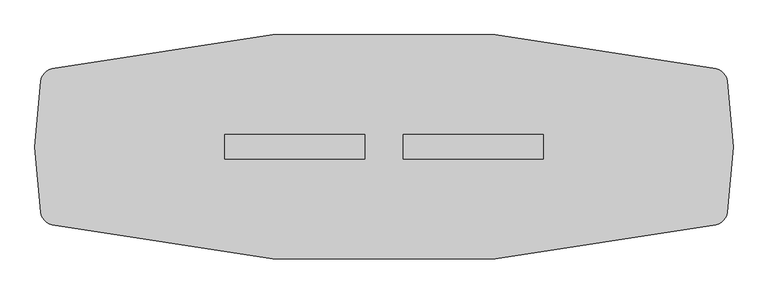
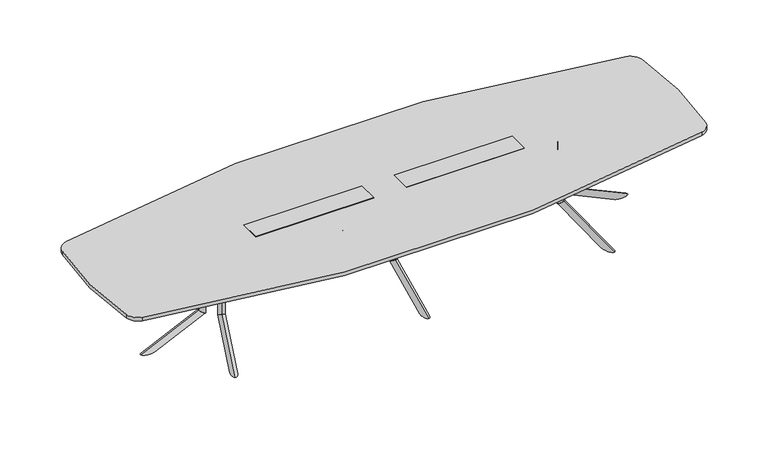
"""IFC4 building model written with IfcOpenShell, lengths in millimetres: furniture geometry."""

from ifc_helpers import new_model, si_unit, point, frame, frame_2d, origin, place, context, project, spatial, polyline, circle_curve, ellipse_curve, trimmed, segment, composite_curve, outline, extrude, faceted_brep, source, transform, mapped, element, save
from ifc_brep_helpers import plane_surface, cylinder_surface, advanced_brep


def furniture_c1365745(model_context):
    return source(origin(), model_context, "Body", "SolidModel", [
        advanced_brep(
        [(1310.4223919, 75.2941685, 686.003912), (1326.4497318, 122.655803, 686.003912), (1326.4497318, 122.655803, 209.8373371), (1310.4223919, 75.2941685, 177.9838308)],
        [
            (0, 1, circle_curve(frame((1318.4360619, 98.9749857, 686.003912), z_axis=(0.0, 0.0, 1.0), x_axis=(0.3205467959798249, 0.9472326808060777, 0.0)), 25.0000002)),
            (1, 0, circle_curve(frame((1318.4360619, 98.9749857, 686.003912), z_axis=(0.0, 0.0, 1.0), x_axis=(0.3205467959798249, 0.9472326808060777, 0.0)), 25.0000002)),
            (1, 2),
            (2, 3, ellipse_curve(frame((1318.4360619, 98.9749857, 193.910584), z_axis=(-0.17222964099785984, -0.5089476688044559, 0.8433914993526187), x_axis=(0.2703464428741051, 0.7988879909008375, 0.5372995243062679)), 29.6422245, 25.0000002)),
            (3, 0),
            (3, 2, ellipse_curve(frame((1318.4360619, 98.9749857, 193.910584), z_axis=(-0.17222964099785984, -0.5089476688044559, 0.8433914993526187), x_axis=(0.2703464428741051, 0.7988879909008375, 0.5372995243062679)), 29.6422245, 25.0000002)),
        ],
        [
            plane_surface(frame((1326.4497318, 122.655803, 686.003912), z_axis=(0.0, 0.0, 1.0000000000000002), x_axis=(0.9472326808060777, -0.3205467959798249, 0.0))),
            cylinder_surface(frame((1318.4360619, 98.9749857, 171.4949981), z_axis=(0.0, 0.0, 1.0), x_axis=(0.3205467959798249, 0.9472326808060777, 0.0)), 25.0000002),
            plane_surface(frame((1392.5881968, 41.2603046, 174.2251154), z_axis=(0.17222964099785987, 0.508947668804456, -0.8433914993526189), x_axis=(-0.9472326808060767, 0.32054679597982794, 0.0))),
        ],
        [
            (0, [[1, 2]]),
            (1, [[3, 4, 5, -2]]),
            (1, [[-5, 6, -3, -1]]),
            (2, [[-6, -4]]),
        ],
    ),
        advanced_brep(
        [(1470.6935324, 548.9087623, 0.0), (1432.7663703, 436.8270746, 0.0), (1310.4203866, 75.2882427, 177.9798453), (1326.4497318, 122.6558029, 209.8373371)],
        [
            (0, 1, ellipse_curve(frame((1451.730699, 492.8676655, 0.0), z_axis=(0.0, 0.0, 1.0), x_axis=(-0.32054679597982483, -0.9472326808060776, 0.0)), 59.162434, 25.003125)),
            (1, 2),
            (2, 3, ellipse_curve(frame((1318.4350592, 98.9720228, 193.9085912), z_axis=(0.17222964099785967, 0.5089476688044554, -0.843391499352619), x_axis=(-0.27034644287410003, -0.7988879909008393, -0.5372995243062673)), 29.6459333, 25.003125)),
            (3, 0),
            (3, 2, ellipse_curve(frame((1318.4350592, 98.9720228, 193.9085912), z_axis=(0.17222964099785967, 0.5089476688044554, -0.843391499352619), x_axis=(-0.27034644287410003, -0.7988879909008393, -0.5372995243062673)), 29.6459333, 25.003125)),
            (1, 0, ellipse_curve(frame((1451.730699, 492.8676655, 0.0), z_axis=(0.0, 0.0, 1.0), x_axis=(-0.32054679597982483, -0.9472326808060776, 0.0)), 59.162434, 25.003125)),
        ],
        [
            cylinder_surface(frame((1467.3078767, 538.8990467, -22.6605205), z_axis=(-0.2905140573061644, -0.858484354750152, 0.42261826174069417), x_axis=(0.13546892972354252, 0.40031782902624236, 0.9063077870366524)), 25.003125),
            plane_surface(frame((1395.7905535, 107.1040594, 214.6127246), z_axis=(-0.1722296409978597, -0.5089476688044555, 0.8433914993526193), x_axis=(-0.9472326808060767, 0.3205467959798279, 0.0))),
            plane_surface(frame((1476.6451428, 406.9632923, 0.0), z_axis=(0.0, 0.0, -1.0000000000000002), x_axis=(-0.9472326808060768, 0.3205467959798276, 0.0))),
        ],
        [
            (0, [[1, 2, 3, 4]]),
            (0, [[5, -2, 6, -4]]),
            (1, [[-5, -3]]),
            (2, [[-6, -1]]),
        ],
    ),
        extrude(outline(polyline([(0.0, 0.0), (-9.475476, 14.6158843), (381.7231629, 69.2843282), (391.4053704, 0.0), (0.0, 0.0)])), frame((1452.6005039, 489.1986462, 670.2172707), z_axis=(-0.9472326808060766, 0.320546795979828, 0.0), x_axis=(-0.3174619360313854, -0.9381167570298226, -0.13840111759322388)), (0.0, 0.0, 1.0), 4.0),
        extrude(outline(polyline([(1246.423204, 120.1483939), (1383.6259996, 525.589888), (1525.7109028, 477.5078683), (1388.5081072, 72.0663742), (1246.423204, 120.1483939)])), frame((0.0, 0.0, 686.003912), z_axis=(0.0, 0.0, 1.0), x_axis=(1.0, 0.0, 0.0)), (0.0, 0.0, 1.0), 3.9999739),
        advanced_brep(
        [(1310.4223919, -75.2941685, 686.003912), (1326.4497318, -122.655803, 686.003912), (1310.4223919, -75.2941685, 177.9838308), (1326.4497318, -122.655803, 209.8373371)],
        [
            (0, 1, circle_curve(frame((1318.4360619, -98.9749857, 686.003912), z_axis=(0.0, 0.0, 1.0), x_axis=(0.3205467959798129, -0.9472326808060817, 0.0)), 25.0000002)),
            (1, 0, circle_curve(frame((1318.4360619, -98.9749857, 686.003912), z_axis=(0.0, 0.0, 1.0), x_axis=(0.3205467959798129, -0.9472326808060817, 0.0)), 25.0000002)),
            (0, 2),
            (2, 3, ellipse_curve(frame((1318.4360619, -98.9749857, 193.910584), z_axis=(-0.17222964099785343, 0.5089476688044581, 0.8433914993526187), x_axis=(0.270346442874095, -0.7988879909008408, 0.5372995243062678)), 29.6422245, 25.0000002)),
            (3, 1),
            (3, 2, ellipse_curve(frame((1318.4360619, -98.9749857, 193.910584), z_axis=(-0.17222964099785343, 0.5089476688044581, 0.8433914993526187), x_axis=(0.270346442874095, -0.7988879909008408, 0.5372995243062678)), 29.6422245, 25.0000002)),
        ],
        [
            plane_surface(frame((1326.4497318, -122.655803, 686.003912), z_axis=(0.0, 0.0, 1.0), x_axis=(0.9472326808060817, 0.3205467959798129, 0.0))),
            cylinder_surface(frame((1318.4360619, -98.9749857, 171.4949981), z_axis=(0.0, 0.0, 1.0), x_axis=(0.3205467959798129, -0.9472326808060817, 0.0)), 25.0000002),
            plane_surface(frame((1392.5881968, -41.2603046, 174.2251154), z_axis=(0.17222964099785343, -0.5089476688044581, -0.8433914993526187), x_axis=(-0.9472326808060807, -0.32054679597981595, 0.0))),
        ],
        [
            (0, [[1, 2]]),
            (1, [[-1, 3, 4, 5]]),
            (1, [[-2, -5, 6, -3]]),
            (2, [[-4, -6]]),
        ],
    ),
        advanced_brep(
        [(1470.6950232, -548.9082435, 6.4e-06), (1326.4497318, -122.6558029, 209.8373371), (1310.4203866, -75.2882427, 177.9798453), (1432.7663703, -436.8270746, 0.0)],
        [
            (0, 1),
            (1, 2, ellipse_curve(frame((1318.4350592, -98.9720228, 193.9085912), z_axis=(0.17222964099785326, -0.5089476688044576, -0.843391499352619), x_axis=(-0.2703464428740898, 0.7988879909008427, -0.5372995243062677)), 29.6459333, 25.003125)),
            (2, 3),
            (3, 0, ellipse_curve(frame((1451.730699, -492.8676655, 0.0), z_axis=(0.0, 0.0, 1.0), x_axis=(-0.32054679597981284, 0.9472326808060817, 0.0)), 59.162434, 25.003125)),
            (0, 3, ellipse_curve(frame((1451.730699, -492.8676655, 0.0), z_axis=(0.0, 0.0, 1.0), x_axis=(-0.32054679597981284, 0.9472326808060817, 0.0)), 59.162434, 25.003125)),
            (2, 1, ellipse_curve(frame((1318.4350592, -98.9720228, 193.9085912), z_axis=(0.17222964099785326, -0.5089476688044576, -0.843391499352619), x_axis=(-0.2703464428740898, 0.7988879909008427, -0.5372995243062677)), 29.6459333, 25.003125)),
        ],
        [
            cylinder_surface(frame((1467.3078767, -538.8990467, -22.6605205), z_axis=(-0.29051405730615354, 0.8584843547501557, 0.42261826174069417), x_axis=(0.13546892972353747, -0.400317829026244, 0.9063077870366524)), 25.003125),
            plane_surface(frame((1395.7905535, -107.1040594, 214.6127246), z_axis=(-0.17222964099785326, 0.5089476688044576, 0.843391499352619), x_axis=(-0.9472326808060807, -0.3205467959798159, 0.0))),
            plane_surface(frame((1476.6451428, -406.9632923, 0.0), z_axis=(0.0, 0.0, -1.0), x_axis=(-0.9472326808060808, -0.3205467959798156, 0.0))),
        ],
        [
            (0, [[1, 2, 3, 4]]),
            (0, [[-1, 5, -3, 6]]),
            (1, [[-2, -6]]),
            (2, [[-4, -5]]),
        ],
    ),
        extrude(outline(polyline([(0.0, 0.0), (9.475476, -14.6158843), (-381.723163, -69.2843282), (-391.4053705, 0.0), (0.0, 0.0)])), frame((1448.8115732, -490.4808334, 670.2172707), z_axis=(0.9472326808060806, 0.320546795979816, 0.0), x_axis=(0.31746193603137357, -0.9381167570298267, 0.1384011175932239)), (0.0, 0.0, 1.0), 4.0),
        extrude(outline(polyline([(1246.423204, -120.1483939), (1388.5081072, -72.0663742), (1525.7109028, -477.5078683), (1383.6259996, -525.589888), (1246.423204, -120.1483939)])), frame((0.0, 0.0, 686.003912), z_axis=(0.0, 0.0, 1.0), x_axis=(1.0, 0.0, 0.0)), (0.0, 0.0, 1.0), 3.9999739),
        advanced_brep(
        [(1389.320648, 0.0, 686.4114757), (1439.3206484, 0.0, 686.4114757), (1389.320648, 0.0, 178.3913945), (1439.3206484, 0.0, 210.2449008)],
        [
            (0, 1, circle_curve(frame((1414.3206482, 0.0, 686.4114757), z_axis=(0.0, 0.0, 1.0), x_axis=(1.0, 0.0, 0.0)), 25.0000002)),
            (1, 0, circle_curve(frame((1414.3206482, 0.0, 686.4114757), z_axis=(0.0, 0.0, 1.0), x_axis=(1.0, 0.0, 0.0)), 25.0000002)),
            (0, 2),
            (2, 3, ellipse_curve(frame((1414.3206482, 0.0, 194.3181477), z_axis=(-0.5372995243062679, 0.0, 0.8433914993526187), x_axis=(0.8433914993526187, 0.0, 0.5372995243062678)), 29.6422245, 25.0000002)),
            (3, 1),
            (3, 2, ellipse_curve(frame((1414.3206482, 0.0, 194.3181477), z_axis=(-0.5372995243062679, 0.0, 0.8433914993526187), x_axis=(0.8433914993526187, 0.0, 0.5372995243062678)), 29.6422245, 25.0000002)),
        ],
        [
            plane_surface(frame((1439.3206484, 0.0, 686.4114757), z_axis=(0.0, 0.0, 1.0), x_axis=(0.0, 1.0, 0.0))),
            cylinder_surface(frame((1414.3206482, 0.0, 171.9025618), z_axis=(0.0, 0.0, 1.0), x_axis=(1.0, 0.0, 0.0)), 25.0000002),
            plane_surface(frame((1383.4206453, 88.7395816, 174.6326791), z_axis=(0.5372995243062679, 0.0, -0.8433914993526187), x_axis=(0.0, -1.0, 0.0))),
        ],
        [
            (0, [[1, 2]]),
            (1, [[-1, 3, 4, 5]]),
            (1, [[-2, -5, 6, -3]]),
            (2, [[-4, -6]]),
        ],
    ),
        advanced_brep(
        [(1889.3182563, 0.0, 0.4075701), (1439.3206484, 0.0, 210.2449008), (1389.314392, 0.0, 178.387409), (1770.9934021, 0.0, 0.4075637)],
        [
            (0, 1),
            (1, 2, ellipse_curve(frame((1414.3175202, 0.0, 194.3161549), z_axis=(0.5372995243062675, 0.0, -0.843391499352619), x_axis=(-0.843391499352619, 0.0, -0.5372995243062674)), 29.6459333, 25.003125)),
            (2, 3),
            (3, 0, ellipse_curve(frame((1830.155836, 0.0, 0.4075637), z_axis=(0.0, 0.0, 1.0), x_axis=(-1.0, 0.0, 0.0)), 59.162434, 25.003125)),
            (0, 3, ellipse_curve(frame((1830.155836, 0.0, 0.4075637), z_axis=(0.0, 0.0, 1.0), x_axis=(-1.0, 0.0, 0.0)), 59.162434, 25.003125)),
            (2, 1, ellipse_curve(frame((1414.3175202, 0.0, 194.3161549), z_axis=(0.5372995243062675, 0.0, -0.843391499352619), x_axis=(-0.843391499352619, 0.0, -0.5372995243062674)), 29.6459333, 25.003125)),
        ],
        [
            cylinder_surface(frame((1878.7514791, 0.0, -22.2529568), z_axis=(-0.9063077870366524, 0.0, 0.42261826174069417), x_axis=(0.42261826174069417, 0.0, 0.9063077870366524)), 25.003125),
            plane_surface(frame((1446.8165069, 70.666954, 215.0202883), z_axis=(-0.5372995243062675, 0.0, 0.843391499352619), x_axis=(0.0, -1.0, 0.0))),
            plane_surface(frame((1756.7706514, 51.136147, 0.4075637), z_axis=(0.0, 0.0, -1.0), x_axis=(0.0, -1.0, 0.0))),
        ],
        [
            (0, [[1, 2, 3, 4]]),
            (0, [[-1, 5, -3, 6]]),
            (1, [[-2, -6]]),
            (2, [[-4, -5]]),
        ],
    ),
        extrude(outline(polyline([(670.6248344, 1826.9592342), (686.4114757, 1834.3206659), (686.4114757, 1439.3206484), (616.4538937, 1439.3206484), (670.6248344, 1826.9592342)])), frame((0.0, -2.0, 0.0), z_axis=(0.0, 1.0, 0.0), x_axis=(0.0, 0.0, 1.0)), (0.0, 0.0, 1.0), 4.0),
        extrude(outline(polyline([(1411.2933015, -75.0000006), (1411.2933015, 75.0000006), (1839.3206514, 75.0000006), (1839.3206514, -75.0000006), (1411.2933015, -75.0000006)])), frame((0.0, 0.0, 686.4114757), z_axis=(0.0, 0.0, 1.0), x_axis=(1.0, 0.0, 0.0)), (0.0, 0.0, 1.0), 3.9999739),
        extrude(outline(composite_curve([segment(trimmed(circle_curve(frame_2d((1312.8271514, 0.1720115)), 88.6441382), [point((1340.7449789, 84.3051093))], [point((1397.8833158, 25.1366295))], False, "CARTESIAN"), True, "CONTINUOUS"), segment(polyline([(1397.8833158, 25.1366295), (1393.3135834, 23.795379)]), True, "CONTINUOUS"), segment(trimmed(circle_curve(frame_2d((1312.8271514, 0.1720115)), 83.8816382), [point((1393.3135834, 23.795379))], [point((1339.2450641, 79.7849698))], True, "CARTESIAN"), True, "CONTINUOUS"), segment(polyline([(1339.2450641, 79.7849698), (1340.7449789, 84.3051093)]), True, "CONTINUOUS")], self_intersect=False)), frame((0.0, 0.0, 417.003907), z_axis=(0.0, 0.0, 1.0), x_axis=(1.0, 0.0, 0.0)), (0.0, 0.0, 1.0), 199.4499866),
        extrude(outline(composite_curve([segment(polyline([(1340.7449789, -84.3051093), (1339.2450641, -79.7849698)]), True, "CONTINUOUS"), segment(trimmed(circle_curve(frame_2d((1312.8271514, -0.1720115)), 83.8816382), [point((1339.2450641, -79.7849698))], [point((1393.3135834, -23.795379))], True, "CARTESIAN"), True, "CONTINUOUS"), segment(polyline([(1393.3135834, -23.795379), (1397.8833158, -25.1366295)]), True, "CONTINUOUS"), segment(trimmed(circle_curve(frame_2d((1312.8271514, -0.1720115)), 88.6441382), [point((1397.8833158, -25.1366295))], [point((1340.7449789, -84.3051093))], False, "CARTESIAN"), True, "CONTINUOUS")], self_intersect=False)), frame((0.0, 0.0, 417.003907), z_axis=(0.0, 0.0, 1.0), x_axis=(1.0, 0.0, 0.0)), (0.0, 0.0, 1.0), 199.4499866),
        faceted_brep([(1041.4, 79.6726562, 721.2210938), (127.0, 79.6726562, 721.2210938), (127.0, -79.6726563, 721.2210938), (1041.4, -79.6726563, 721.2210938), (1041.4, 79.6726562, 718.0460938), (1041.4, -79.6726563, 718.0460938), (127.0, -79.6726563, 718.0460938), (127.0, 79.6726562, 718.0460938), (1038.225, 74.9101562, 718.0460938), (130.175, 74.9101562, 718.0460938), (130.175, -74.9101563, 718.0460938), (1038.225, -74.9101563, 718.0460938), (1038.225, 74.9101562, 648.1960938), (1038.225, -74.9101563, 648.1960938), (130.175, -74.9101563, 648.1960938), (130.175, 74.9101562, 648.1960938)], [[[0, 1, 2, 3]], [[4, 5, 6, 7], [8, 9, 10, 11]], [[1, 0, 4, 7]], [[2, 1, 7, 6]], [[3, 2, 6, 5]], [[0, 3, 5, 4]], [[12, 13, 14, 15]], [[12, 15, 9, 8]], [[15, 14, 10, 9]], [[14, 13, 11, 10]], [[13, 12, 8, 11]]]),
        faceted_brep([(-127.0, 79.6726562, 721.2210938), (-1041.4, 79.6726562, 721.2210938), (-1041.4, -79.6726563, 721.2210938), (-127.0, -79.6726563, 721.2210938), (-127.0, 79.6726562, 718.0460938), (-127.0, -79.6726563, 718.0460938), (-1041.4, -79.6726563, 718.0460938), (-1041.4, 79.6726562, 718.0460938), (-130.175, 74.9101562, 718.0460938), (-1038.225, 74.9101562, 718.0460938), (-1038.225, -74.9101563, 718.0460938), (-130.175, -74.9101563, 718.0460938), (-130.175, 74.9101562, 648.1960938), (-130.175, -74.9101563, 648.1960938), (-1038.225, -74.9101563, 648.1960938), (-1038.225, 74.9101562, 648.1960938)], [[[0, 1, 2, 3]], [[4, 5, 6, 7], [8, 9, 10, 11]], [[1, 0, 4, 7]], [[2, 1, 7, 6]], [[3, 2, 6, 5]], [[0, 3, 5, 4]], [[12, 13, 14, 15]], [[12, 15, 9, 8]], [[15, 14, 10, 9]], [[14, 13, 11, 10]], [[13, 12, 8, 11]]]),
        advanced_brep(
        [(0.0, -100.1086873, 686.003912), (0.0, -150.1086877, 686.003912), (0.0, -100.1086873, 177.9838308), (0.0, -150.1086877, 209.8373371)],
        [
            (0, 1, circle_curve(frame((0.0, -125.1086875, 686.003912), z_axis=(0.0, 0.0, 1.0), x_axis=(0.0, -1.0000000000000002, 0.0)), 25.0000002)),
            (1, 0, circle_curve(frame((0.0, -125.1086875, 686.003912), z_axis=(0.0, 0.0, 1.0), x_axis=(0.0, -1.0000000000000002, 0.0)), 25.0000002)),
            (0, 2),
            (2, 3, ellipse_curve(frame((0.0, -125.1086875, 193.910584), z_axis=(0.0, 0.5372995243062679, 0.8433914993526188), x_axis=(0.0, -0.8433914993526189, 0.5372995243062675)), 29.6422245, 25.0000002)),
            (3, 1),
            (3, 2, ellipse_curve(frame((0.0, -125.1086875, 193.910584), z_axis=(0.0, 0.5372995243062679, 0.8433914993526188), x_axis=(0.0, -0.8433914993526189, 0.5372995243062675)), 29.6422245, 25.0000002)),
        ],
        [
            plane_surface(frame((0.0, -150.1086877, 686.003912), z_axis=(0.0, 0.0, 1.0), x_axis=(1.0, 0.0, 0.0))),
            cylinder_surface(frame((0.0, -125.1086875, 171.4949981), z_axis=(0.0, 0.0, 1.0), x_axis=(0.0, -1.0000000000000002, 0.0)), 25.0000002),
            plane_surface(frame((88.7395816, -94.2086846, 174.2251154), z_axis=(0.0, -0.5372995243062679, -0.8433914993526188), x_axis=(-1.0, 0.0, 0.0))),
        ],
        [
            (0, [[1, 2]]),
            (1, [[-1, 3, 4, 5]]),
            (1, [[-2, -5, 6, -3]]),
            (2, [[-4, -6]]),
        ],
    ),
        advanced_brep(
        [(0.0, -600.1062956, 6.4e-06), (0.0, -150.1086877, 209.8373371), (0.0, -100.1024313, 177.9798453), (0.0, -481.7814414, 0.0)],
        [
            (0, 1),
            (1, 2, ellipse_curve(frame((0.0, -125.1055595, 193.9085912), z_axis=(0.0, -0.5372995243062674, -0.843391499352619), x_axis=(0.0, 0.8433914993526193, -0.5372995243062672)), 29.6459333, 25.003125)),
            (2, 3),
            (3, 0, ellipse_curve(frame((0.0, -540.9438753, 0.0), z_axis=(0.0, 0.0, 1.0), x_axis=(0.0, 1.0, 0.0)), 59.162434, 25.003125)),
            (0, 3, ellipse_curve(frame((0.0, -540.9438753, 0.0), z_axis=(0.0, 0.0, 1.0), x_axis=(0.0, 1.0, 0.0)), 59.162434, 25.003125)),
            (2, 1, ellipse_curve(frame((0.0, -125.1055595, 193.9085912), z_axis=(0.0, -0.5372995243062674, -0.843391499352619), x_axis=(0.0, 0.8433914993526193, -0.5372995243062672)), 29.6459333, 25.003125)),
        ],
        [
            cylinder_surface(frame((0.0, -589.5395183, -22.6605205), z_axis=(0.0, 0.9063077870366526, 0.42261826174069417), x_axis=(0.0, -0.4226182617406943, 0.9063077870366524)), 25.003125),
            plane_surface(frame((70.666954, -157.6045462, 214.6127246), z_axis=(0.0, 0.5372995243062674, 0.843391499352619), x_axis=(-1.0, 0.0, 0.0))),
            plane_surface(frame((51.136147, -467.5586907, 0.0), z_axis=(0.0, 0.0, -1.0), x_axis=(-1.0, 0.0, 0.0))),
        ],
        [
            (0, [[1, 2, 3, 4]]),
            (0, [[-1, 5, -3, 6]]),
            (1, [[-2, -6]]),
            (2, [[-4, -5]]),
        ],
    ),
        extrude(outline(polyline([(-537.7472735, 670.2172707), (-545.1087052, 686.003912), (-150.1086877, 686.003912), (-150.1086877, 616.04633), (-537.7472735, 670.2172707)])), frame((-2.0, 0.0, 0.0), z_axis=(1.0, 0.0, 0.0), x_axis=(0.0, 1.0, 0.0)), (0.0, 0.0, 1.0), 4.0),
        extrude(outline(polyline([(-75.0000006, -122.0813408), (75.0000006, -122.0813408), (75.0000006, -550.1086907), (-75.0000006, -550.1086907), (-75.0000006, -122.0813408)])), frame((0.0, 0.0, 686.003912), z_axis=(0.0, 0.0, 1.0), x_axis=(1.0, 0.0, 0.0)), (0.0, 0.0, 1.0), 3.9999739),
        advanced_brep(
        [(0.0, 100.1086873, 686.003912), (0.0, 150.1086877, 686.003912), (0.0, 100.1086873, 177.9838308), (0.0, 150.1086877, 209.8373371)],
        [
            (0, 1, circle_curve(frame((0.0, 125.1086875, 686.003912), z_axis=(0.0, 0.0, 1.0), x_axis=(0.0, 1.0000000000000002, 0.0)), 25.0000002)),
            (1, 0, circle_curve(frame((0.0, 125.1086875, 686.003912), z_axis=(0.0, 0.0, 1.0), x_axis=(0.0, 1.0000000000000002, 0.0)), 25.0000002)),
            (0, 2),
            (2, 3, ellipse_curve(frame((0.0, 125.1086875, 193.910584), z_axis=(0.0, -0.5372995243062679, 0.8433914993526188), x_axis=(0.0, 0.8433914993526189, 0.5372995243062675)), 29.6422245, 25.0000002)),
            (3, 1),
            (3, 2, ellipse_curve(frame((0.0, 125.1086875, 193.910584), z_axis=(0.0, -0.5372995243062679, 0.8433914993526188), x_axis=(0.0, 0.8433914993526189, 0.5372995243062675)), 29.6422245, 25.0000002)),
        ],
        [
            plane_surface(frame((0.0, 150.1086877, 686.003912), z_axis=(0.0, 0.0, 1.0), x_axis=(-1.0, 0.0, 0.0))),
            cylinder_surface(frame((0.0, 125.1086875, 171.4949981), z_axis=(0.0, 0.0, 1.0), x_axis=(0.0, 1.0000000000000002, 0.0)), 25.0000002),
            plane_surface(frame((-88.7395816, 94.2086846, 174.2251154), z_axis=(0.0, 0.5372995243062679, -0.8433914993526188), x_axis=(1.0, 0.0, 0.0))),
        ],
        [
            (0, [[1, 2]]),
            (1, [[-1, 3, 4, 5]]),
            (1, [[-2, -5, 6, -3]]),
            (2, [[-4, -6]]),
        ],
    ),
        advanced_brep(
        [(0.0, 600.1062956, 6.4e-06), (0.0, 150.1086877, 209.8373371), (0.0, 100.1024313, 177.9798453), (0.0, 481.7814414, 0.0)],
        [
            (0, 1),
            (1, 2, ellipse_curve(frame((0.0, 125.1055595, 193.9085912), z_axis=(0.0, 0.5372995243062674, -0.843391499352619), x_axis=(0.0, -0.8433914993526193, -0.5372995243062672)), 29.6459333, 25.003125)),
            (2, 3),
            (3, 0, ellipse_curve(frame((0.0, 540.9438753, 0.0), z_axis=(0.0, 0.0, 1.0), x_axis=(0.0, -1.0, 0.0)), 59.162434, 25.003125)),
            (0, 3, ellipse_curve(frame((0.0, 540.9438753, 0.0), z_axis=(0.0, 0.0, 1.0), x_axis=(0.0, -1.0, 0.0)), 59.162434, 25.003125)),
            (2, 1, ellipse_curve(frame((0.0, 125.1055595, 193.9085912), z_axis=(0.0, 0.5372995243062674, -0.843391499352619), x_axis=(0.0, -0.8433914993526193, -0.5372995243062672)), 29.6459333, 25.003125)),
        ],
        [
            cylinder_surface(frame((0.0, 589.5395183, -22.6605205), z_axis=(0.0, -0.9063077870366526, 0.42261826174069417), x_axis=(0.0, 0.4226182617406943, 0.9063077870366524)), 25.003125),
            plane_surface(frame((-70.666954, 157.6045462, 214.6127246), z_axis=(0.0, -0.5372995243062674, 0.843391499352619), x_axis=(1.0, 0.0, 0.0))),
            plane_surface(frame((-51.136147, 467.5586907, 0.0), z_axis=(0.0, 0.0, -1.0), x_axis=(1.0, 0.0, 0.0))),
        ],
        [
            (0, [[1, 2, 3, 4]]),
            (0, [[-1, 5, -3, 6]]),
            (1, [[-2, -6]]),
            (2, [[-4, -5]]),
        ],
    ),
        extrude(outline(polyline([(537.7472735, 670.2172707), (150.1086877, 616.04633), (150.1086877, 686.003912), (545.1087052, 686.003912), (537.7472735, 670.2172707)])), frame((-2.0, 0.0, 0.0), z_axis=(1.0, 0.0, 0.0), x_axis=(0.0, 1.0, 0.0)), (0.0, 0.0, 1.0), 4.0),
        extrude(outline(polyline([(75.0000006, 122.0813408), (-75.0000006, 122.0813408), (-75.0000006, 550.1086907), (75.0000006, 550.1086907), (75.0000006, 122.0813408)])), frame((0.0, 0.0, 686.003912), z_axis=(0.0, 0.0, 1.0), x_axis=(1.0, 0.0, 0.0)), (0.0, 0.0, 1.0), 3.9999739),
        advanced_brep(
        [(-1310.4223919, -75.2941685, 686.003912), (-1326.4497318, -122.655803, 686.003912), (-1326.4497318, -122.655803, 209.8373371), (-1310.4223919, -75.2941685, 177.9838308)],
        [
            (0, 1, circle_curve(frame((-1318.4360619, -98.9749857, 686.003912), z_axis=(0.0, 0.0, 1.0), x_axis=(-0.3205467959798189, -0.9472326808060797, 0.0)), 25.0000002)),
            (1, 0, circle_curve(frame((-1318.4360619, -98.9749857, 686.003912), z_axis=(0.0, 0.0, 1.0), x_axis=(-0.3205467959798189, -0.9472326808060797, 0.0)), 25.0000002)),
            (1, 2),
            (2, 3, ellipse_curve(frame((-1318.4360619, -98.9749857, 193.910584), z_axis=(0.17222964099785665, 0.508947668804457, 0.8433914993526188), x_axis=(-0.27034644287410003, -0.7988879909008393, 0.5372995243062675)), 29.6422245, 25.0000002)),
            (3, 0),
            (3, 2, ellipse_curve(frame((-1318.4360619, -98.9749857, 193.910584), z_axis=(0.17222964099785665, 0.508947668804457, 0.8433914993526188), x_axis=(-0.27034644287410003, -0.7988879909008393, 0.5372995243062675)), 29.6422245, 25.0000002)),
        ],
        [
            plane_surface(frame((-1326.4497318, -122.655803, 686.003912), z_axis=(0.0, 0.0, 1.0), x_axis=(-0.9472326808060797, 0.3205467959798189, 0.0))),
            cylinder_surface(frame((-1318.4360619, -98.9749857, 171.4949981), z_axis=(0.0, 0.0, 1.0), x_axis=(-0.3205467959798189, -0.9472326808060797, 0.0)), 25.0000002),
            plane_surface(frame((-1392.5881968, -41.2603046, 174.2251154), z_axis=(-0.17222964099785665, -0.508947668804457, -0.8433914993526188), x_axis=(0.9472326808060787, -0.32054679597982194, 0.0))),
        ],
        [
            (0, [[1, 2]]),
            (1, [[3, 4, 5, -2]]),
            (1, [[-5, 6, -3, -1]]),
            (2, [[-6, -4]]),
        ],
    ),
        advanced_brep(
        [(-1470.6935324, -548.9087623, 0.0), (-1432.7663703, -436.8270746, 0.0), (-1310.4203866, -75.2882427, 177.9798453), (-1326.4497318, -122.6558029, 209.8373371)],
        [
            (0, 1, ellipse_curve(frame((-1451.730699, -492.8676655, 0.0), z_axis=(0.0, 0.0, 1.0), x_axis=(0.32054679597981883, 0.9472326808060797, 0.0)), 59.162434, 25.003125)),
            (1, 2),
            (2, 3, ellipse_curve(frame((-1318.4350592, -98.9720228, 193.9085912), z_axis=(-0.17222964099785648, -0.5089476688044566, -0.843391499352619), x_axis=(0.2703464428740949, 0.798887990900841, -0.5372995243062678)), 29.6459333, 25.003125)),
            (3, 0),
            (3, 2, ellipse_curve(frame((-1318.4350592, -98.9720228, 193.9085912), z_axis=(-0.17222964099785648, -0.5089476688044566, -0.843391499352619), x_axis=(0.2703464428740949, 0.798887990900841, -0.5372995243062678)), 29.6459333, 25.003125)),
            (1, 0, ellipse_curve(frame((-1451.730699, -492.8676655, 0.0), z_axis=(0.0, 0.0, 1.0), x_axis=(0.32054679597981883, 0.9472326808060797, 0.0)), 59.162434, 25.003125)),
        ],
        [
            cylinder_surface(frame((-1467.3078767, -538.8990467, -22.6605205), z_axis=(0.290514057306159, 0.8584843547501538, 0.42261826174069417), x_axis=(-0.13546892972354, -0.4003178290262432, 0.9063077870366524)), 25.003125),
            plane_surface(frame((-1395.7905535, -107.1040594, 214.6127246), z_axis=(0.17222964099785648, 0.5089476688044566, 0.843391499352619), x_axis=(0.9472326808060787, -0.3205467959798219, 0.0))),
            plane_surface(frame((-1476.6451428, -406.9632923, 0.0), z_axis=(0.0, 0.0, -1.0000000000000002), x_axis=(0.9472326808060788, -0.3205467959798216, 0.0))),
        ],
        [
            (0, [[1, 2, 3, 4]]),
            (0, [[5, -2, 6, -4]]),
            (1, [[-5, -3]]),
            (2, [[-6, -1]]),
        ],
    ),
        extrude(outline(polyline([(0.0, 0.0), (-391.4053705, 0.0), (-381.723163, 69.2843282), (9.475476, 14.6158843), (0.0, 0.0)])), frame((-1448.8115732, -490.4808334, 670.2172707), z_axis=(-0.9472326808060786, 0.320546795979822, 0.0), x_axis=(-0.31746193603137945, -0.9381167570298246, 0.13840111759322388)), (0.0, 0.0, 1.0), 4.0),
        extrude(outline(polyline([(-1246.423204, -120.1483939), (-1383.6259996, -525.589888), (-1525.7109028, -477.5078683), (-1388.5081072, -72.0663742), (-1246.423204, -120.1483939)])), frame((0.0, 0.0, 686.003912), z_axis=(0.0, 0.0, 1.0), x_axis=(1.0, 0.0, 0.0)), (0.0, 0.0, 1.0), 3.9999739),
        advanced_brep(
        [(-1310.4223919, 75.2941685, 686.003912), (-1326.4497318, 122.655803, 686.003912), (-1310.4223919, 75.2941685, 177.9838308), (-1326.4497318, 122.655803, 209.8373371)],
        [
            (0, 1, circle_curve(frame((-1318.4360619, 98.9749857, 686.003912), z_axis=(0.0, 0.0, 1.0), x_axis=(-0.3205467959798189, 0.9472326808060797, 0.0)), 25.0000002)),
            (1, 0, circle_curve(frame((-1318.4360619, 98.9749857, 686.003912), z_axis=(0.0, 0.0, 1.0), x_axis=(-0.3205467959798189, 0.9472326808060797, 0.0)), 25.0000002)),
            (0, 2),
            (2, 3, ellipse_curve(frame((-1318.4360619, 98.9749857, 193.910584), z_axis=(0.17222964099785665, -0.508947668804457, 0.8433914993526188), x_axis=(-0.27034644287410003, 0.7988879909008393, 0.5372995243062675)), 29.6422245, 25.0000002)),
            (3, 1),
            (3, 2, ellipse_curve(frame((-1318.4360619, 98.9749857, 193.910584), z_axis=(0.17222964099785665, -0.508947668804457, 0.8433914993526188), x_axis=(-0.27034644287410003, 0.7988879909008393, 0.5372995243062675)), 29.6422245, 25.0000002)),
        ],
        [
            plane_surface(frame((-1326.4497318, 122.655803, 686.003912), z_axis=(0.0, 0.0, 1.0), x_axis=(-0.9472326808060797, -0.3205467959798189, 0.0))),
            cylinder_surface(frame((-1318.4360619, 98.9749857, 171.4949981), z_axis=(0.0, 0.0, 1.0), x_axis=(-0.3205467959798189, 0.9472326808060797, 0.0)), 25.0000002),
            plane_surface(frame((-1392.5881968, 41.2603046, 174.2251154), z_axis=(-0.17222964099785665, 0.508947668804457, -0.8433914993526188), x_axis=(0.9472326808060787, 0.32054679597982194, 0.0))),
        ],
        [
            (0, [[1, 2]]),
            (1, [[-1, 3, 4, 5]]),
            (1, [[-2, -5, 6, -3]]),
            (2, [[-4, -6]]),
        ],
    ),
        advanced_brep(
        [(-1470.6950232, 548.9082435, 6.4e-06), (-1326.4497318, 122.6558029, 209.8373371), (-1310.4203866, 75.2882427, 177.9798453), (-1432.7663703, 436.8270746, 0.0)],
        [
            (0, 1),
            (1, 2, ellipse_curve(frame((-1318.4350592, 98.9720228, 193.9085912), z_axis=(-0.17222964099785648, 0.5089476688044566, -0.843391499352619), x_axis=(0.2703464428740949, -0.798887990900841, -0.5372995243062678)), 29.6459333, 25.003125)),
            (2, 3),
            (3, 0, ellipse_curve(frame((-1451.730699, 492.8676655, 0.0), z_axis=(0.0, 0.0, 1.0), x_axis=(0.32054679597981883, -0.9472326808060797, 0.0)), 59.162434, 25.003125)),
            (0, 3, ellipse_curve(frame((-1451.730699, 492.8676655, 0.0), z_axis=(0.0, 0.0, 1.0), x_axis=(0.32054679597981883, -0.9472326808060797, 0.0)), 59.162434, 25.003125)),
            (2, 1, ellipse_curve(frame((-1318.4350592, 98.9720228, 193.9085912), z_axis=(-0.17222964099785648, 0.5089476688044566, -0.843391499352619), x_axis=(0.2703464428740949, -0.798887990900841, -0.5372995243062678)), 29.6459333, 25.003125)),
        ],
        [
            cylinder_surface(frame((-1467.3078767, 538.8990467, -22.6605205), z_axis=(0.290514057306159, -0.8584843547501538, 0.42261826174069417), x_axis=(-0.13546892972354, 0.4003178290262432, 0.9063077870366524)), 25.003125),
            plane_surface(frame((-1395.7905535, 107.1040594, 214.6127246), z_axis=(0.17222964099785648, -0.5089476688044566, 0.843391499352619), x_axis=(0.9472326808060787, 0.3205467959798219, 0.0))),
            plane_surface(frame((-1476.6451428, 406.9632923, 0.0), z_axis=(0.0, 0.0, -1.0000000000000002), x_axis=(0.9472326808060788, 0.3205467959798216, 0.0))),
        ],
        [
            (0, [[1, 2, 3, 4]]),
            (0, [[-1, 5, -3, 6]]),
            (1, [[-2, -6]]),
            (2, [[-4, -5]]),
        ],
    ),
        extrude(outline(polyline([(0.0, 0.0), (391.4053704, 0.0), (381.7231629, -69.2843282), (-9.475476, -14.6158843), (0.0, 0.0)])), frame((-1452.6005039, 489.1986462, 670.2172707), z_axis=(0.9472326808060786, 0.320546795979822, 0.0), x_axis=(0.31746193603137945, -0.9381167570298246, -0.13840111759322388)), (0.0, 0.0, 1.0), 4.0),
        extrude(outline(polyline([(-1246.423204, 120.1483939), (-1388.5081072, 72.0663742), (-1525.7109028, 477.5078683), (-1383.6259996, 525.589888), (-1246.423204, 120.1483939)])), frame((0.0, 0.0, 686.003912), z_axis=(0.0, 0.0, 1.0), x_axis=(1.0, 0.0, 0.0)), (0.0, 0.0, 1.0), 3.9999739),
        advanced_brep(
        [(-1389.320648, 0.0, 686.4114757), (-1439.3206484, 0.0, 686.4114757), (-1389.320648, 0.0, 178.3913945), (-1439.3206484, 0.0, 210.2449008)],
        [
            (0, 1, circle_curve(frame((-1414.3206482, 0.0, 686.4114757), z_axis=(0.0, 0.0, 1.0), x_axis=(-1.0, 0.0, 0.0)), 25.0000002)),
            (1, 0, circle_curve(frame((-1414.3206482, 0.0, 686.4114757), z_axis=(0.0, 0.0, 1.0), x_axis=(-1.0, 0.0, 0.0)), 25.0000002)),
            (0, 2),
            (2, 3, ellipse_curve(frame((-1414.3206482, 0.0, 194.3181477), z_axis=(0.5372995243062679, 0.0, 0.8433914993526187), x_axis=(-0.8433914993526187, 0.0, 0.5372995243062678)), 29.6422245, 25.0000002)),
            (3, 1),
            (3, 2, ellipse_curve(frame((-1414.3206482, 0.0, 194.3181477), z_axis=(0.5372995243062679, 0.0, 0.8433914993526187), x_axis=(-0.8433914993526187, 0.0, 0.5372995243062678)), 29.6422245, 25.0000002)),
        ],
        [
            plane_surface(frame((-1439.3206484, 0.0, 686.4114757), z_axis=(0.0, 0.0, 1.0), x_axis=(0.0, -1.0, 0.0))),
            cylinder_surface(frame((-1414.3206482, 0.0, 171.9025618), z_axis=(0.0, 0.0, 1.0), x_axis=(-1.0, 0.0, 0.0)), 25.0000002),
            plane_surface(frame((-1383.4206453, -88.7395816, 174.6326791), z_axis=(-0.5372995243062679, 0.0, -0.8433914993526187), x_axis=(0.0, 1.0, 0.0))),
        ],
        [
            (0, [[1, 2]]),
            (1, [[-1, 3, 4, 5]]),
            (1, [[-2, -5, 6, -3]]),
            (2, [[-4, -6]]),
        ],
    ),
        advanced_brep(
        [(-1889.3182563, 0.0, 0.4075701), (-1439.3206484, 0.0, 210.2449008), (-1389.314392, 0.0, 178.387409), (-1770.9934021, 0.0, 0.4075637)],
        [
            (0, 1),
            (1, 2, ellipse_curve(frame((-1414.3175202, 0.0, 194.3161549), z_axis=(-0.5372995243062675, 0.0, -0.843391499352619), x_axis=(0.843391499352619, 0.0, -0.5372995243062674)), 29.6459333, 25.003125)),
            (2, 3),
            (3, 0, ellipse_curve(frame((-1830.155836, 0.0, 0.4075637), z_axis=(0.0, 0.0, 1.0), x_axis=(1.0, 0.0, 0.0)), 59.162434, 25.003125)),
            (0, 3, ellipse_curve(frame((-1830.155836, 0.0, 0.4075637), z_axis=(0.0, 0.0, 1.0), x_axis=(1.0, 0.0, 0.0)), 59.162434, 25.003125)),
            (2, 1, ellipse_curve(frame((-1414.3175202, 0.0, 194.3161549), z_axis=(-0.5372995243062675, 0.0, -0.843391499352619), x_axis=(0.843391499352619, 0.0, -0.5372995243062674)), 29.6459333, 25.003125)),
        ],
        [
            cylinder_surface(frame((-1878.7514791, 0.0, -22.2529568), z_axis=(0.9063077870366524, 0.0, 0.42261826174069417), x_axis=(-0.42261826174069417, 0.0, 0.9063077870366524)), 25.003125),
            plane_surface(frame((-1446.8165069, -70.666954, 215.0202883), z_axis=(0.5372995243062675, 0.0, 0.843391499352619), x_axis=(0.0, 1.0, 0.0))),
            plane_surface(frame((-1756.7706514, -51.136147, 0.4075637), z_axis=(0.0, 0.0, -1.0), x_axis=(0.0, 1.0, 0.0))),
        ],
        [
            (0, [[1, 2, 3, 4]]),
            (0, [[-1, 5, -3, 6]]),
            (1, [[-2, -6]]),
            (2, [[-4, -5]]),
        ],
    ),
        extrude(outline(polyline([(670.6248344, -1826.9592342), (616.4538937, -1439.3206484), (686.4114757, -1439.3206484), (686.4114757, -1834.3206659), (670.6248344, -1826.9592342)])), frame((0.0, -2.0, 0.0), z_axis=(0.0, 1.0, 0.0), x_axis=(0.0, 0.0, 1.0)), (0.0, 0.0, 1.0), 4.0),
        extrude(outline(polyline([(-1411.2933015, 75.0000006), (-1411.2933015, -75.0000006), (-1839.3206514, -75.0000006), (-1839.3206514, 75.0000006), (-1411.2933015, 75.0000006)])), frame((0.0, 0.0, 686.4114757), z_axis=(0.0, 0.0, 1.0), x_axis=(1.0, 0.0, 0.0)), (0.0, 0.0, 1.0), 3.9999739),
        extrude(outline(composite_curve([segment(trimmed(circle_curve(frame_2d((-1312.8271514, -0.1720115)), 88.6441382), [point((-1340.7449789, -84.3051093))], [point((-1397.8833158, -25.1366295))], False, "CARTESIAN"), True, "CONTINUOUS"), segment(polyline([(-1397.8833158, -25.1366295), (-1393.3135834, -23.795379)]), True, "CONTINUOUS"), segment(trimmed(circle_curve(frame_2d((-1312.8271514, -0.1720115)), 83.8816382), [point((-1393.3135834, -23.795379))], [point((-1339.2450641, -79.7849698))], True, "CARTESIAN"), True, "CONTINUOUS"), segment(polyline([(-1339.2450641, -79.7849698), (-1340.7449789, -84.3051093)]), True, "CONTINUOUS")], self_intersect=False)), frame((0.0, 0.0, 417.003907), z_axis=(0.0, 0.0, 1.0), x_axis=(1.0, 0.0, 0.0)), (0.0, 0.0, 1.0), 199.4499866),
        extrude(outline(composite_curve([segment(polyline([(-1340.7449789, 84.3051093), (-1339.2450641, 79.7849698)]), True, "CONTINUOUS"), segment(trimmed(circle_curve(frame_2d((-1312.8271514, 0.1720115)), 83.8816382), [point((-1339.2450641, 79.7849698))], [point((-1393.3135834, 23.795379))], True, "CARTESIAN"), True, "CONTINUOUS"), segment(polyline([(-1393.3135834, 23.795379), (-1397.8833158, 25.1366295)]), True, "CONTINUOUS"), segment(trimmed(circle_curve(frame_2d((-1312.8271514, 0.1720115)), 88.6441382), [point((-1397.8833158, 25.1366295))], [point((-1340.7449789, 84.3051093))], False, "CARTESIAN"), True, "CONTINUOUS")], self_intersect=False)), frame((0.0, 0.0, 417.003907), z_axis=(0.0, 0.0, 1.0), x_axis=(1.0, 0.0, 0.0)), (0.0, 0.0, 1.0), 199.4499866),
        extrude(outline(composite_curve([segment(trimmed(circle_curve(frame_2d((2148.7947568, 413.775405)), 101.6), [point((2171.8126372, 512.7336648))], [point((2248.9014499, 431.1308075))], False, "CARTESIAN"), True, "CONTINUOUS"), segment(trimmed(circle_curve(frame_2d((-238.0710652, -0.0332594)), 2524.0710654), [point((2248.9014499, 431.1308075))], [point((2248.9139696, -431.1251055))], False, "CARTESIAN"), True, "CONTINUOUS"), segment(trimmed(circle_curve(frame_2d((2148.8067726, -413.7726101)), 101.6), [point((2248.9139696, -431.1251055))], [point((2171.8247817, -512.7308399))], False, "CARTESIAN"), True, "CONTINUOUS"), segment(trimmed(circle_curve(frame_2d((-0.0824982, 8824.6579295)), 9586.6579298), [point((2171.8247817, -512.7308399))], [point((-2171.816008, -512.7712577))], False, "CARTESIAN"), True, "CONTINUOUS"), segment(trimmed(circle_curve(frame_2d((-2148.7998405, -413.8125995)), 101.6), [point((-2171.816008, -512.7712577))], [point((-2248.9067468, -431.1667721))], False, "CARTESIAN"), True, "CONTINUOUS"), segment(trimmed(circle_curve(frame_2d((238.0710652, -0.0332594)), 2524.0710654), [point((-2248.9067468, -431.1667721))], [point((-2248.8942258, 431.1724741))], False, "CARTESIAN"), True, "CONTINUOUS"), segment(trimmed(circle_curve(frame_2d((-2148.7878235, 413.8153945)), 101.6), [point((-2248.8942258, 431.1724741))], [point((-2171.8038622, 512.7740826))], False, "CARTESIAN"), True, "CONTINUOUS"), segment(trimmed(circle_curve(frame_2d((-0.0824982, -8824.6579295)), 9586.6579298), [point((-2171.8038622, 512.7740826))], [point((2171.8126372, 512.7336648))], False, "CARTESIAN"), True, "CONTINUOUS")], self_intersect=False)), frame((0.0, 0.0, 689.9671875), z_axis=(0.0, 0.0, 1.0), x_axis=(1.0, 0.0, 0.0)), (0.0, 0.0, 1.0), 28.0789063),
        extrude(outline(polyline([(1289.05, -88.7586607), (1289.05, -95.1086607), (-1289.05, -95.1086607), (-1289.05, -88.7586607), (1289.05, -88.7586607)])), frame((0.0, 0.0, 417.003907), z_axis=(0.0, 0.0, 1.0), x_axis=(1.0, 0.0, 0.0)), (0.0, 0.0, 1.0), 272.9999788),
        extrude(outline(polyline([(1289.05, 95.1086607), (1289.05, 88.7586607), (-1289.05, 88.7586607), (-1289.05, 95.1086607), (1289.05, 95.1086607)])), frame((0.0, 0.0, 417.003907), z_axis=(0.0, 0.0, 1.0), x_axis=(1.0, 0.0, 0.0)), (0.0, 0.0, 1.0), 272.9999788),
    ])


if __name__ == "__main__":
    model = new_model("IFC4")
    model_context = context("Model", 3, world=origin())
    ifc_project = project(units=[si_unit("LENGTHUNIT", "METRE", prefix="MILLI")], contexts=[model_context])
    site = spatial("IfcSite", under=ifc_project)
    building = spatial("IfcBuilding", under=site)
    placement = place(None, origin())
    furniture_shape = furniture_c1365745(model_context)
    element("IfcFurniture", 1, at=placement, inside=building, context=model_context, shape_type="MappedRepresentation", body=[
        mapped(furniture_shape, transform((0.0, 0.0, 0.0), x_axis=(1.0, 0.0, 0.0), y_axis=(0.0, 1.0, 0.0), z_axis=(0.0, 0.0, 1.0))),
    ])
    save(model, "model.ifc")
